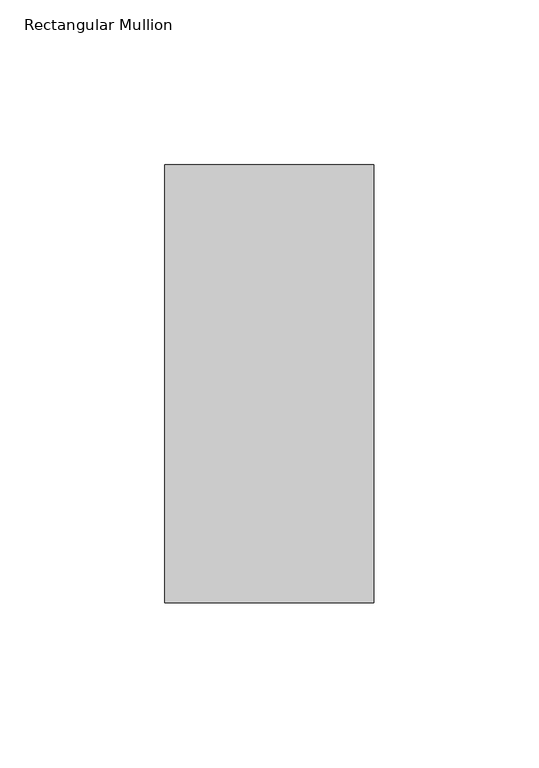
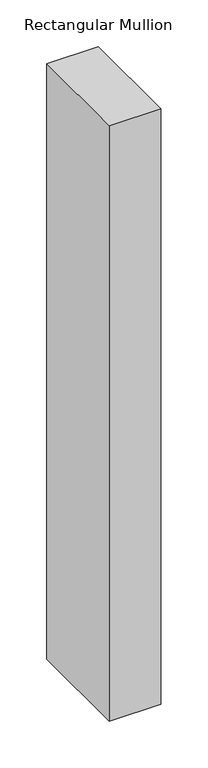
"""IFC4 building model written with IfcOpenShell, lengths in millimetres: member geometry, Rectangular Mullion."""

from ifc_helpers import new_model, si_unit, frame, origin, place, context, project, spatial, polyline, outline, extrude, source, transform, mapped, element, save


def rectangular_mullion_4e484ce9(model_context):
    return source(origin(), model_context, "Body", "SweptSolid", [
        extrude(outline(polyline([(31.75, 190.5896938), (31.75, 57.6460938), (-31.75, 57.6460937), (-31.75, 190.5896938), (31.75, 190.5896938)])), frame((0.0, 0.0, -774.7), z_axis=(0.0, 0.0, 1.0), x_axis=(1.0, 0.0, 0.0)), (0.0, 0.0, 1.0), 774.7),
    ])


if __name__ == "__main__":
    model = new_model("IFC4")
    model_context = context("Model", 3, world=origin())
    ifc_project = project(units=[si_unit("LENGTHUNIT", "METRE", prefix="MILLI")], contexts=[model_context])
    site = spatial("IfcSite", under=ifc_project)
    building = spatial("IfcBuilding", under=site)
    placement = place(None, origin())
    rectangular_mullion_shape = rectangular_mullion_4e484ce9(model_context)
    element("IfcMember", 1, ObjectType="Rectangular Mullion", at=placement, inside=building, context=model_context, shape_type="MappedRepresentation", body=[
        mapped(rectangular_mullion_shape, transform((0.0, 0.0, 0.0), x_axis=(1.0, 0.0, 0.0), y_axis=(0.0, 1.0, 0.0), z_axis=(0.0, 0.0, 1.0))),
    ])
    save(model, "model.ifc")
